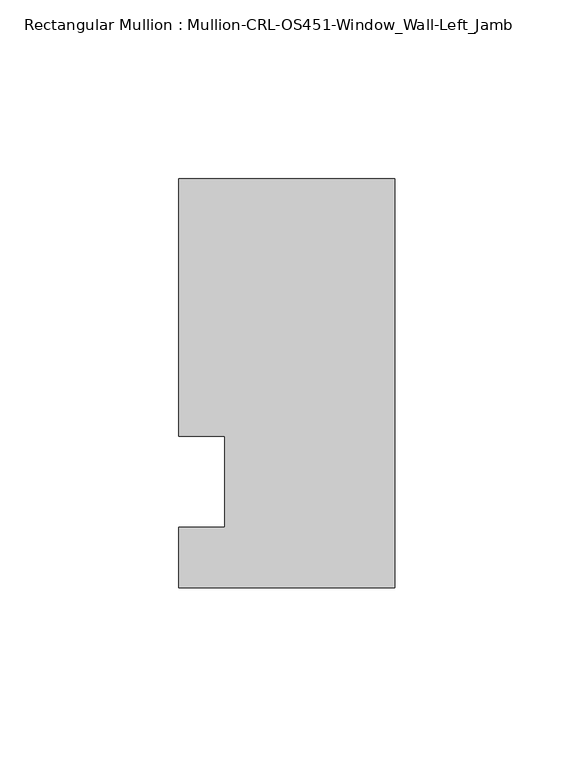
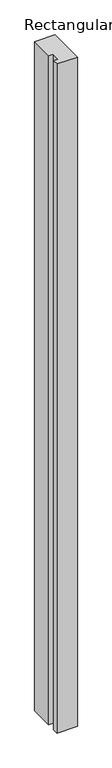
"""IFC4 building model written with IfcOpenShell, lengths in millimetres: member geometry, Rectangular Mullion : Mullion-CRL-OS451-Window_Wall-Left_Jamb."""

import ifcopenshell
import ifcopenshell.guid

model = None  # the IFC model being written
_history = None  # IfcOwnerHistory: only IFC2X3 demands one
_inside = {}  # id of a spatial element -> (the spatial element, [elements in it])
_under = {}  # id of a project, library or spatial element -> (it, [spatial elements below it])
_declared = {}  # id of a project -> (the project, [libraries it declares])
_typed = {}  # id of a type object -> (the type object, [elements of that type])
_made_of = {}  # id of a material, layer set ... -> (it, [elements and type objects made of it])


def new_model(schema):
    """Start an empty IFC model of exactly this schema.

    Asked for "IFC4X3", IfcOpenShell would pick the latest addendum, in which some entities
    have other attributes; the version numbers below select the first issue.
    IFC2X3 requires an IfcOwnerHistory on every rooted entity: one is made here for all.
    """
    global model, _history
    if schema == "IFC4X3":
        model = ifcopenshell.file(schema_version=(4, 3, 0, 0))
    else:
        model = ifcopenshell.file(schema=schema)
    _inside.clear()
    _under.clear()
    _declared.clear()
    _typed.clear()
    _made_of.clear()
    _history = None
    if model.schema == "IFC2X3":
        org = make("IfcOrganization", Name="unknown")
        user = make(
            "IfcPersonAndOrganization",
            ThePerson=make("IfcPerson", FamilyName="unknown"),
            TheOrganization=org,
        )
        app = make(
            "IfcApplication",
            ApplicationDeveloper=org,
            Version="unknown",
            ApplicationFullName="unknown",
            ApplicationIdentifier="unknown",
        )
        _history = make(
            "IfcOwnerHistory",
            OwningUser=user,
            OwningApplication=app,
            ChangeAction="ADDED",
            CreationDate=0,
        )
    return model


def make(cls, **values):
    """One entity of the class cls with the attributes given. An attribute that is None is left unset."""
    return model.create_entity(
        cls, **{name: value for name, value in values.items() if value is not None}
    )


def rooted(cls, **values):
    """An entity with a GlobalId (a new one), such as an element, a storey or a relation."""
    return make(cls, GlobalId=ifcopenshell.guid.new(), OwnerHistory=_history, **values)


def si_unit(unit_type, name, prefix=None):
    """IfcSIUnit, for example si_unit("LENGTHUNIT", "METRE", prefix="MILLI")."""
    return make("IfcSIUnit", UnitType=unit_type, Prefix=prefix, Name=name)


def assignment(units):
    """IfcUnitAssignment: the units of a project."""
    return None if units is None else make("IfcUnitAssignment", Units=units)


def point(xyz):
    """IfcCartesianPoint."""
    return None if xyz is None else make("IfcCartesianPoint", Coordinates=xyz)


def direction(xyz):
    """IfcDirection."""
    return None if xyz is None else make("IfcDirection", DirectionRatios=xyz)


def frame(location, z_axis=None, x_axis=None):
    """IfcAxis2Placement3D, a coordinate frame: its origin and axes. An axis left out is left unset."""
    return make(
        "IfcAxis2Placement3D",
        Location=point(location),
        Axis=direction(z_axis),
        RefDirection=direction(x_axis),
    )


def origin():
    """The frame at (0, 0, 0) with its axes left unset."""
    return frame((0.0, 0.0, 0.0))


def place(relative_to, where):
    """IfcLocalPlacement: puts the frame where relative to a parent placement (None: the world)."""
    return make(
        "IfcLocalPlacement", PlacementRelTo=relative_to, RelativePlacement=where
    )


def context(
    kind, dimensions, precision=None, world=None, true_north=None, identifier=None
):
    """IfcGeometricRepresentationContext, for example the 3D "Model" context."""
    return make(
        "IfcGeometricRepresentationContext",
        ContextIdentifier=identifier,
        ContextType=kind,
        CoordinateSpaceDimension=dimensions,
        Precision=precision,
        WorldCoordinateSystem=world,
        TrueNorth=true_north,
    )


def project(units=None, contexts=None):
    """IfcProject with its units and contexts."""
    return rooted(
        "IfcProject",
        Name="project",
        RepresentationContexts=contexts,
        UnitsInContext=assignment(units),
    )


def spatial(cls, under=None, at=None, **own):
    """A site, building, storey or space (cls), placed at a placement, below another one or the project."""
    s = rooted(cls, ObjectPlacement=at, **own)
    if under is not None:
        _under.setdefault(under.id(), (under, []))[1].append(s)
    return s


def polyline(points):
    """IfcPolyline through the points."""
    return make("IfcPolyline", Points=[point(p) for p in points])


def outline(outer, holes=None, kind="AREA"):
    """IfcArbitraryClosedProfileDef: a profile drawn as a closed curve; with holes, ...WithVoids."""
    if holes is None:
        return make("IfcArbitraryClosedProfileDef", ProfileType=kind, OuterCurve=outer)
    return make(
        "IfcArbitraryProfileDefWithVoids",
        ProfileType=kind,
        OuterCurve=outer,
        InnerCurves=holes,
    )


def extrude(swept, where, along, depth):
    """IfcExtrudedAreaSolid: the profile swept, set in the frame where, extruded along a direction by depth."""
    return make(
        "IfcExtrudedAreaSolid",
        SweptArea=swept,
        Position=where,
        ExtrudedDirection=direction(along),
        Depth=depth,
    )


def shape(context_of_items, identifier, shape_type, items):
    """IfcShapeRepresentation: the items that make up one representation, for example the "Body"."""
    return make(
        "IfcShapeRepresentation",
        ContextOfItems=context_of_items,
        RepresentationIdentifier=identifier,
        RepresentationType=shape_type,
        Items=items,
    )


def source(mapping_origin, context_of_items, identifier, shape_type, items):
    """IfcRepresentationMap: a shape defined once, which mapped items show again and again."""
    return make(
        "IfcRepresentationMap",
        MappingOrigin=mapping_origin,
        MappedRepresentation=shape(context_of_items, identifier, shape_type, items),
    )


def transform(
    local_origin,
    x_axis=None,
    y_axis=None,
    z_axis=None,
    scale=None,
    scale2=None,
    scale3=None,
    uniform=True,
):
    """IfcCartesianTransformationOperator3D, or its non-uniform kind. x_axis, y_axis, z_axis: its Axis1, 2, 3."""
    if uniform:
        return make(
            "IfcCartesianTransformationOperator3D",
            Axis1=direction(x_axis),
            Axis2=direction(y_axis),
            LocalOrigin=point(local_origin),
            Scale=scale,
            Axis3=direction(z_axis),
        )
    return make(
        "IfcCartesianTransformationOperator3DnonUniform",
        Axis1=direction(x_axis),
        Axis2=direction(y_axis),
        LocalOrigin=point(local_origin),
        Scale=scale,
        Axis3=direction(z_axis),
        Scale2=scale2,
        Scale3=scale3,
    )


def mapped(mapping_source, mapping_target):
    """IfcMappedItem: shows the shape of a source again, moved by a transform."""
    return make(
        "IfcMappedItem", MappingSource=mapping_source, MappingTarget=mapping_target
    )


def made_of(thing, what):
    """Note that an element or type object is made of a material, layer set ...; save() writes the relation."""
    if what is not None:
        _made_of.setdefault(what.id(), (what, []))[1].append(thing)
    return thing


def element(
    cls,
    number,
    at=None,
    inside=None,
    cuts=None,
    type_object=None,
    material=None,
    context=None,
    identifier="Body",
    shape_type=None,
    held_by="IfcProductDefinitionShape",
    body=None,
    shapes=None,
    **own,
):
    """One element of the class cls, such as IfcWall. Its Tag is "e" and its number.

    at: its placement. inside: the storey or other place that contains it. cuts: it is an
    opening in that element (IfcRelVoidsElement). A single representation is given by context,
    identifier, shape_type and body (its items); several are given by shapes. held_by: the class
    of the entity that holds the representations. save() writes the other relations.
    """
    e = rooted(cls, Tag="e%d" % number, ObjectPlacement=at, **own)
    if body is not None:
        shapes = [shape(context, identifier, shape_type, body)]
    if shapes is not None:
        e.Representation = make(held_by, Representations=shapes)
    if inside is not None:
        _inside.setdefault(inside.id(), (inside, []))[1].append(e)
    if cuts is not None:
        rooted(
            "IfcRelVoidsElement", RelatingBuildingElement=cuts, RelatedOpeningElement=e
        )
    if type_object is not None:
        _typed.setdefault(type_object.id(), (type_object, []))[1].append(e)
    return made_of(e, material)


def aggregate(whole, parts):
    """IfcRelAggregates: a whole, such as a stair, and the parts it consists of."""
    return rooted("IfcRelAggregates", RelatingObject=whole, RelatedObjects=parts)


def save(model, path):
    """Write the relations noted so far, then the file.

    IfcRelAggregates (storeys below a building ...), IfcRelContainedInSpatialStructure (elements
    in a storey), IfcRelDefinesByType, IfcRelAssociatesMaterial and IfcRelDeclares: one each for
    every whole, place, type object, material and project.
    """
    for whole, parts in _under.values():
        aggregate(whole, parts)
    for where, things in _inside.values():
        rooted(
            "IfcRelContainedInSpatialStructure",
            RelatedElements=things,
            RelatingStructure=where,
        )
    for kind, things in _typed.values():
        rooted("IfcRelDefinesByType", RelatedObjects=things, RelatingType=kind)
    for what, things in _made_of.values():
        rooted("IfcRelAssociatesMaterial", RelatedObjects=things, RelatingMaterial=what)
    for by, libraries in _declared.values():
        rooted("IfcRelDeclares", RelatingContext=by, RelatedDefinitions=libraries)
    model.write(path)


def rectangular_mullion_mullion_crl_os451_window_wall_left_jamb_4de654b4(model_context):
    return source(origin(), model_context, "Body", "SweptSolid", [
        extrude(outline(polyline([(-60.325, 12.7), (-60.325, 84.6587463), (0.0, 84.6587463), (0.0, -29.6531114), (-60.325, -29.6531114), (-60.325, -12.7), (-47.5139203, -12.7), (-47.5139203, 12.7), (-60.325, 12.7)])), frame((0.0, 0.0, -2094.23), z_axis=(0.0, 0.0, 1.0), x_axis=(1.0, 0.0, 0.0)), (0.0, 0.0, 1.0), 2094.23),
    ])


if __name__ == "__main__":
    model = new_model("IFC4")
    model_context = context("Model", 3, world=origin())
    ifc_project = project(units=[si_unit("LENGTHUNIT", "METRE", prefix="MILLI")], contexts=[model_context])
    site = spatial("IfcSite", under=ifc_project)
    building = spatial("IfcBuilding", under=site)
    placement = place(None, origin())
    rectangular_mullion_mullion_crl_os451_window_wall_left_jamb_shape = rectangular_mullion_mullion_crl_os451_window_wall_left_jamb_4de654b4(model_context)
    element("IfcMember", 1, ObjectType="Rectangular Mullion : Mullion-CRL-OS451-Window_Wall-Left_Jamb", at=placement, inside=building, context=model_context, shape_type="MappedRepresentation", body=[
        mapped(rectangular_mullion_mullion_crl_os451_window_wall_left_jamb_shape, transform((0.0, 0.0, 0.0), x_axis=(1.0, 0.0, 0.0), y_axis=(0.0, 1.0, 0.0), z_axis=(0.0, 0.0, 1.0))),
    ])
    save(model, "model.ifc")
